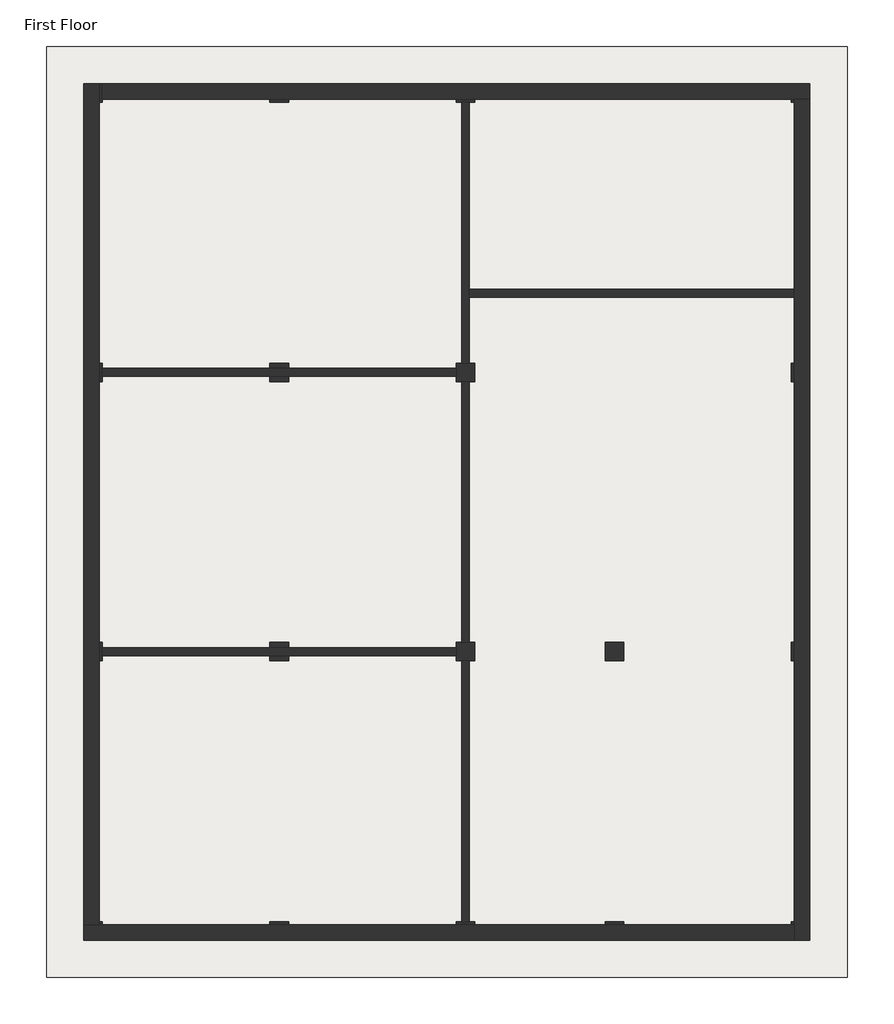
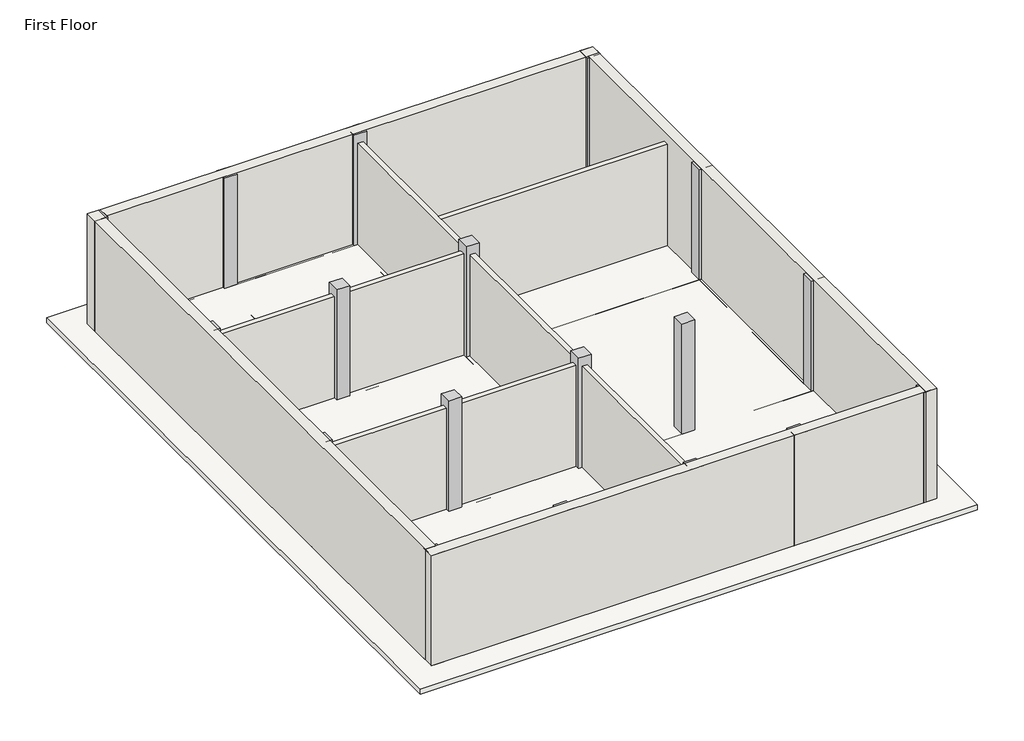
# One storey: 27 beams, 18 columns, 10 walls, 1 slab.
"""IFC4 building model written with IfcOpenShell, lengths in millimetres."""

from ifc_helpers import new_model, si_unit, frame, origin, place, context, project, spatial, polyline, outline, extrude, faceted_brep, element, save

model = new_model("IFC4")

# Units and contexts
model_context = context("Model", 3, world=origin())
ifc_project = project(units=[si_unit("LENGTHUNIT", "METRE", prefix="MILLI")], contexts=[model_context])

# Site, building, storey
site = spatial("IfcSite", under=ifc_project)
building = spatial("IfcBuilding", under=site)
storey = spatial("IfcBuildingStorey", under=building, Name="First Floor", Elevation=2870.2)

# Beams
placement = place(None, origin())
element("IfcBeam", 1, ObjectType="Concrete-Rectangular Beam", at=placement, inside=storey, context=model_context, shape_type="Brep", body=[
    faceted_brep([(6210.1409002, -15344.0114294, 2870.2), (6210.1409002, -15039.2114294, 2870.2), (5905.3409002, -15039.2114294, 2870.2), (3162.1409002, -15039.2114294, 2870.2), (2857.3409002, -15039.2114294, 2870.2), (2857.3409002, -15344.0114294, 2870.2), (3162.1409002, -15344.0114294, 2870.2), (5905.3409002, -15344.0114294, 2870.2), (2857.3409002, -15344.0114294, 2743.2), (3162.1409002, -15344.0114294, 2743.2), (3162.1409002, -15344.0114294, 2514.6), (5905.3409002, -15344.0114294, 2514.6), (5905.3409002, -15344.0114294, 2743.2), (6210.1409002, -15344.0114294, 2743.2), (3162.1409002, -15039.2114294, 2514.6), (5905.3409002, -15039.2114294, 2514.6), (6210.1409002, -15039.2114294, 2743.2), (5905.3409002, -15039.2114294, 2743.2), (3162.1409002, -15039.2114294, 2743.2), (2857.3409002, -15039.2114294, 2743.2)], [[[0, 1, 2, 3, 4, 5, 6, 7]], [[0, 7, 6, 5, 8, 9, 10, 11, 12, 13]], [[10, 14, 15, 11]], [[4, 3, 2, 1, 16, 17, 15, 14, 18, 19]], [[1, 0, 13, 16]], [[5, 4, 19, 8]], [[9, 18, 14, 10]], [[18, 9, 8, 19]], [[17, 12, 11, 15]], [[12, 17, 16, 13]]]),
])
element("IfcBeam", 2, ObjectType="Concrete-Rectangular Beam", at=placement, inside=storey, context=model_context, shape_type="Brep", body=[
    faceted_brep([(9258.1409002, -15344.0114294, 2870.2), (9258.1409002, -15039.2114294, 2870.2), (8953.3409002, -15039.2114294, 2870.2), (6210.1409002, -15039.2114294, 2870.2), (6210.1409002, -15344.0114294, 2870.2), (8953.3409002, -15344.0114294, 2870.2), (6210.1409002, -15344.0114294, 2743.2), (6210.1409002, -15344.0114294, 2514.6), (8953.3409002, -15344.0114294, 2514.6), (8953.3409002, -15344.0114294, 2743.2), (9258.1409002, -15344.0114294, 2743.2), (6210.1409002, -15039.2114294, 2514.6), (8953.3409002, -15039.2114294, 2514.6), (9258.1409002, -15039.2114294, 2743.2), (8953.3409002, -15039.2114294, 2743.2), (6210.1409002, -15039.2114294, 2743.2)], [[[0, 1, 2, 3, 4, 5]], [[0, 5, 4, 6, 7, 8, 9, 10]], [[7, 11, 12, 8]], [[3, 2, 1, 13, 14, 12, 11, 15]], [[1, 0, 10, 13]], [[4, 3, 15, 11, 7, 6]], [[14, 9, 8, 12]], [[9, 14, 13, 10]]]),
])
element("IfcBeam", 3, ObjectType="Concrete-Rectangular Beam", at=placement, inside=storey, context=model_context, shape_type="Brep", body=[
    faceted_brep([(11696.5409002, -15344.0114294, 2870.2), (11696.5409002, -15039.2114294, 2870.2), (11391.7409002, -15039.2114294, 2870.2), (9258.1409002, -15039.2114294, 2870.2), (9258.1409002, -15344.0114294, 2870.2), (11391.7409002, -15344.0114294, 2870.2), (9258.1409002, -15344.0114294, 2743.2), (9258.1409002, -15344.0114294, 2514.6), (11391.7409002, -15344.0114294, 2514.6), (11391.7409002, -15344.0114294, 2743.2), (11696.5409002, -15344.0114294, 2743.2), (9258.1409002, -15039.2114294, 2514.6), (11391.7409002, -15039.2114294, 2514.6), (11696.5409002, -15039.2114294, 2743.2), (11391.7409002, -15039.2114294, 2743.2), (9258.1409002, -15039.2114294, 2743.2)], [[[0, 1, 2, 3, 4, 5]], [[0, 5, 4, 6, 7, 8, 9, 10]], [[7, 11, 12, 8]], [[3, 2, 1, 13, 14, 12, 11, 15]], [[1, 0, 10, 13]], [[4, 3, 15, 11, 7, 6]], [[14, 9, 8, 12]], [[9, 14, 13, 10]]]),
])
element("IfcBeam", 4, ObjectType="Concrete-Rectangular Beam", at=placement, inside=storey, context=model_context, shape_type="Brep", body=[
    faceted_brep([(14744.5409002, -15344.0114294, 2870.2), (14744.5409002, -15039.2114294, 2870.2), (14439.7409002, -15039.2114294, 2870.2), (11696.5409002, -15039.2114294, 2870.2), (11696.5409002, -15344.0114294, 2870.2), (14439.7409002, -15344.0114294, 2870.2), (11696.5409002, -15344.0114294, 2743.2), (11696.5409002, -15344.0114294, 2514.6), (14439.7409002, -15344.0114294, 2514.6), (14439.7409002, -15344.0114294, 2743.2), (14744.5409002, -15344.0114294, 2743.2), (11696.5409002, -15039.2114294, 2514.6), (14439.7409002, -15039.2114294, 2514.6), (14744.5409002, -15039.2114294, 2743.2), (14439.7409002, -15039.2114294, 2743.2), (11696.5409002, -15039.2114294, 2743.2)], [[[0, 1, 2, 3, 4, 5]], [[0, 5, 4, 6, 7, 8, 9, 10]], [[7, 11, 12, 8]], [[3, 2, 1, 13, 14, 12, 11, 15]], [[1, 0, 10, 13]], [[4, 3, 15, 11, 7, 6]], [[14, 9, 8, 12]], [[9, 14, 13, 10]]]),
])
element("IfcBeam", 5, ObjectType="Concrete-Rectangular Beam", at=placement, inside=storey, context=model_context, shape_type="Brep", body=[
    faceted_brep([(6210.1409002, -10772.0114294, 2870.2), (6210.1409002, -10467.2114294, 2870.2), (5905.3409002, -10467.2114294, 2870.2), (3162.1409002, -10467.2114294, 2870.2), (2857.3409002, -10467.2114294, 2870.2), (2857.3409002, -10772.0114294, 2870.2), (3162.1409002, -10772.0114294, 2870.2), (5905.3409002, -10772.0114294, 2870.2), (2857.3409002, -10772.0114294, 2743.2), (3162.1409002, -10772.0114294, 2743.2), (3162.1409002, -10772.0114294, 2514.6), (5905.3409002, -10772.0114294, 2514.6), (5905.3409002, -10772.0114294, 2743.2), (6210.1409002, -10772.0114294, 2743.2), (3162.1409002, -10467.2114294, 2514.6), (5905.3409002, -10467.2114294, 2514.6), (6210.1409002, -10467.2114294, 2743.2), (5905.3409002, -10467.2114294, 2743.2), (3162.1409002, -10467.2114294, 2743.2), (2857.3409002, -10467.2114294, 2743.2)], [[[0, 1, 2, 3, 4, 5, 6, 7]], [[0, 7, 6, 5, 8, 9, 10, 11, 12, 13]], [[10, 14, 15, 11]], [[4, 3, 2, 1, 16, 17, 15, 14, 18, 19]], [[1, 0, 13, 16]], [[5, 4, 19, 8]], [[9, 18, 14, 10]], [[18, 9, 8, 19]], [[17, 12, 11, 15]], [[12, 17, 16, 13]]]),
])
element("IfcBeam", 6, ObjectType="Concrete-Rectangular Beam", at=placement, inside=storey, context=model_context, shape_type="Brep", body=[
    faceted_brep([(9258.1409002, -10772.0114294, 2870.2), (9258.1409002, -10467.2114294, 2870.2), (8953.3409002, -10467.2114294, 2870.2), (6210.1409002, -10467.2114294, 2870.2), (6210.1409002, -10772.0114294, 2870.2), (8953.3409002, -10772.0114294, 2870.2), (6210.1409002, -10772.0114294, 2743.2), (6210.1409002, -10772.0114294, 2514.6), (8953.3409002, -10772.0114294, 2514.6), (8953.3409002, -10772.0114294, 2743.2), (9258.1409002, -10772.0114294, 2743.2), (6210.1409002, -10467.2114294, 2514.6), (8953.3409002, -10467.2114294, 2514.6), (9258.1409002, -10467.2114294, 2743.2), (8953.3409002, -10467.2114294, 2743.2), (6210.1409002, -10467.2114294, 2743.2)], [[[0, 1, 2, 3, 4, 5]], [[0, 5, 4, 6, 7, 8, 9, 10]], [[7, 11, 12, 8]], [[3, 2, 1, 13, 14, 12, 11, 15]], [[1, 0, 10, 13]], [[4, 3, 15, 11, 7, 6]], [[14, 9, 8, 12]], [[9, 14, 13, 10]]]),
])
element("IfcBeam", 7, ObjectType="Concrete-Rectangular Beam", at=placement, inside=storey, context=model_context, shape_type="Brep", body=[
    faceted_brep([(11696.5409002, -10772.0114294, 2870.2), (11696.5409002, -10467.2114294, 2870.2), (11391.7409002, -10467.2114294, 2870.2), (9258.1409002, -10467.2114294, 2870.2), (9258.1409002, -10772.0114294, 2870.2), (11391.7409002, -10772.0114294, 2870.2), (9258.1409002, -10772.0114294, 2743.2), (9258.1409002, -10772.0114294, 2514.6), (11391.7409002, -10772.0114294, 2514.6), (11391.7409002, -10772.0114294, 2743.2), (11696.5409002, -10772.0114294, 2743.2), (9258.1409002, -10467.2114294, 2514.6), (11391.7409002, -10467.2114294, 2514.6), (11696.5409002, -10467.2114294, 2743.2), (11391.7409002, -10467.2114294, 2743.2), (9258.1409002, -10467.2114294, 2743.2)], [[[0, 1, 2, 3, 4, 5]], [[0, 5, 4, 6, 7, 8, 9, 10]], [[7, 11, 12, 8]], [[3, 2, 1, 13, 14, 12, 11, 15]], [[1, 0, 10, 13]], [[4, 3, 15, 11, 7, 6]], [[14, 9, 8, 12]], [[9, 14, 13, 10]]]),
])
element("IfcBeam", 8, ObjectType="Concrete-Rectangular Beam", at=placement, inside=storey, context=model_context, shape_type="Brep", body=[
    faceted_brep([(14744.5409002, -10772.0114294, 2870.2), (14744.5409002, -10467.2114294, 2870.2), (14439.7409002, -10467.2114294, 2870.2), (11696.5409002, -10467.2114294, 2870.2), (11696.5409002, -10772.0114294, 2870.2), (14439.7409002, -10772.0114294, 2870.2), (11696.5409002, -10772.0114294, 2743.2), (11696.5409002, -10772.0114294, 2514.6), (14439.7409002, -10772.0114294, 2514.6), (14439.7409002, -10772.0114294, 2743.2), (14744.5409002, -10772.0114294, 2743.2), (11696.5409002, -10467.2114294, 2514.6), (14439.7409002, -10467.2114294, 2514.6), (14744.5409002, -10467.2114294, 2743.2), (14439.7409002, -10467.2114294, 2743.2), (11696.5409002, -10467.2114294, 2743.2)], [[[0, 1, 2, 3, 4, 5]], [[0, 5, 4, 6, 7, 8, 9, 10]], [[7, 11, 12, 8]], [[3, 2, 1, 13, 14, 12, 11, 15]], [[1, 0, 10, 13]], [[4, 3, 15, 11, 7, 6]], [[14, 9, 8, 12]], [[9, 14, 13, 10]]]),
])
element("IfcBeam", 9, ObjectType="Concrete-Rectangular Beam", at=placement, inside=storey, context=model_context, shape_type="Brep", body=[
    faceted_brep([(6210.1409002, -6200.0114294, 2870.2), (6210.1409002, -5895.2114294, 2870.2), (5905.3409002, -5895.2114294, 2870.2), (3162.1409002, -5895.2114294, 2870.2), (2857.3409002, -5895.2114294, 2870.2), (2857.3409002, -6200.0114294, 2870.2), (3162.1409002, -6200.0114294, 2870.2), (5905.3409002, -6200.0114294, 2870.2), (2857.3409002, -6200.0114294, 2743.2), (3162.1409002, -6200.0114294, 2743.2), (3162.1409002, -6200.0114294, 2514.6), (5905.3409002, -6200.0114294, 2514.6), (5905.3409002, -6200.0114294, 2743.2), (6210.1409002, -6200.0114294, 2743.2), (3162.1409002, -5895.2114294, 2514.6), (5905.3409002, -5895.2114294, 2514.6), (6210.1409002, -5895.2114294, 2743.2), (5905.3409002, -5895.2114294, 2743.2), (3162.1409002, -5895.2114294, 2743.2), (2857.3409002, -5895.2114294, 2743.2)], [[[0, 1, 2, 3, 4, 5, 6, 7]], [[0, 7, 6, 5, 8, 9, 10, 11, 12, 13]], [[10, 14, 15, 11]], [[4, 3, 2, 1, 16, 17, 15, 14, 18, 19]], [[1, 0, 13, 16]], [[5, 4, 19, 8]], [[9, 18, 14, 10]], [[18, 9, 8, 19]], [[17, 12, 11, 15]], [[12, 17, 16, 13]]]),
])
element("IfcBeam", 10, ObjectType="Concrete-Rectangular Beam", at=placement, inside=storey, context=model_context, shape_type="Brep", body=[
    faceted_brep([(9258.1409002, -6200.0114294, 2870.2), (9258.1409002, -5895.2114294, 2870.2), (8953.3409002, -5895.2114294, 2870.2), (6210.1409002, -5895.2114294, 2870.2), (6210.1409002, -6200.0114294, 2870.2), (8953.3409002, -6200.0114294, 2870.2), (6210.1409002, -6200.0114294, 2743.2), (6210.1409002, -6200.0114294, 2514.6), (8953.3409002, -6200.0114294, 2514.6), (8953.3409002, -6200.0114294, 2743.2), (9258.1409002, -6200.0114294, 2743.2), (6210.1409002, -5895.2114294, 2514.6), (8953.3409002, -5895.2114294, 2514.6), (9258.1409002, -5895.2114294, 2743.2), (8953.3409002, -5895.2114294, 2743.2), (6210.1409002, -5895.2114294, 2743.2)], [[[0, 1, 2, 3, 4, 5]], [[0, 5, 4, 6, 7, 8, 9, 10]], [[7, 11, 12, 8]], [[3, 2, 1, 13, 14, 12, 11, 15]], [[1, 0, 10, 13]], [[4, 3, 15, 11, 7, 6]], [[14, 9, 8, 12]], [[9, 14, 13, 10]]]),
])
element("IfcBeam", 11, ObjectType="Concrete-Rectangular Beam", at=placement, inside=storey, context=model_context, shape_type="Brep", body=[
    faceted_brep([(14744.5409002, -6200.0114294, 2870.2), (14744.5409002, -5895.2114294, 2870.2), (14439.7409002, -5895.2114294, 2870.2), (9258.1409002, -5895.2114294, 2870.2), (9258.1409002, -6200.0114294, 2870.2), (14439.7409002, -6200.0114294, 2870.2), (9258.1409002, -6200.0114294, 2743.2), (9258.1409002, -6200.0114294, 2514.6), (14439.7409002, -6200.0114294, 2514.6), (14439.7409002, -6200.0114294, 2743.2), (14744.5409002, -6200.0114294, 2743.2), (9258.1409002, -5895.2114294, 2514.6), (14439.7409002, -5895.2114294, 2514.6), (14744.5409002, -5895.2114294, 2743.2), (14439.7409002, -5895.2114294, 2743.2), (9258.1409002, -5895.2114294, 2743.2)], [[[0, 1, 2, 3, 4, 5]], [[0, 5, 4, 6, 7, 8, 9, 10]], [[7, 11, 12, 8]], [[3, 2, 1, 13, 14, 12, 11, 15]], [[1, 0, 10, 13]], [[4, 3, 15, 11, 7, 6]], [[14, 9, 8, 12]], [[9, 14, 13, 10]]]),
])
element("IfcBeam", 12, ObjectType="Concrete-Rectangular Beam", at=placement, inside=storey, context=model_context, shape_type="Brep", body=[
    faceted_brep([(3162.1409002, -1323.2114294, 2870.2), (2857.3409002, -1323.2114294, 2870.2), (2857.3409002, -1628.0114294, 2870.2), (2857.3409002, -5895.2114294, 2870.2), (3162.1409002, -5895.2114294, 2870.2), (3162.1409002, -1628.0114294, 2870.2), (2857.3409002, -1323.2114294, 2743.2), (2857.3409002, -1628.0114294, 2743.2), (2857.3409002, -1628.0114294, 2514.6), (2857.3409002, -5895.2114294, 2514.6), (2857.3409002, -5895.2114294, 2743.2), (3162.1409002, -5895.2114294, 2514.6), (3162.1409002, -1628.0114294, 2514.6), (3162.1409002, -5895.2114294, 2743.2), (3162.1409002, -1628.0114294, 2743.2), (3162.1409002, -1323.2114294, 2743.2)], [[[0, 1, 2, 3, 4, 5]], [[3, 2, 1, 6, 7, 8, 9, 10]], [[11, 9, 8, 12]], [[0, 5, 4, 13, 11, 12, 14, 15]], [[1, 0, 15, 6]], [[4, 3, 10, 9, 11, 13]], [[7, 14, 12, 8]], [[14, 7, 6, 15]]]),
])
element("IfcBeam", 13, ObjectType="Concrete-Rectangular Beam", at=placement, inside=storey, context=model_context, shape_type="Brep", body=[
    faceted_brep([(2857.3409002, -10467.2114294, 2870.2), (3162.1409002, -10467.2114294, 2870.2), (3162.1409002, -6200.0114294, 2870.2), (2857.3409002, -6200.0114294, 2870.2), (2857.3409002, -10467.2114294, 2514.6), (2857.3409002, -10467.2114294, 2743.2), (2857.3409002, -6200.0114294, 2743.2), (2857.3409002, -6200.0114294, 2514.6), (3162.1409002, -10467.2114294, 2514.6), (3162.1409002, -6200.0114294, 2514.6), (3162.1409002, -10467.2114294, 2743.2), (3162.1409002, -6200.0114294, 2743.2)], [[[0, 1, 2, 3]], [[4, 5, 0, 3, 6, 7]], [[8, 4, 7, 9]], [[1, 10, 8, 9, 11, 2]], [[1, 0, 5, 4, 8, 10]], [[3, 2, 11, 9, 7, 6]]]),
])
element("IfcBeam", 14, ObjectType="Concrete-Rectangular Beam", at=placement, inside=storey, context=model_context, shape_type="Brep", body=[
    faceted_brep([(2857.3409002, -15039.2114294, 2870.2), (3162.1409002, -15039.2114294, 2870.2), (3162.1409002, -10772.0114294, 2870.2), (2857.3409002, -10772.0114294, 2870.2), (2857.3409002, -15039.2114294, 2514.6), (2857.3409002, -15039.2114294, 2743.2), (2857.3409002, -10772.0114294, 2743.2), (2857.3409002, -10772.0114294, 2514.6), (3162.1409002, -15039.2114294, 2514.6), (3162.1409002, -10772.0114294, 2514.6), (3162.1409002, -15039.2114294, 2743.2), (3162.1409002, -10772.0114294, 2743.2)], [[[0, 1, 2, 3]], [[4, 5, 0, 3, 6, 7]], [[8, 4, 7, 9]], [[1, 10, 8, 9, 11, 2]], [[1, 0, 5, 4, 8, 10]], [[3, 2, 11, 9, 7, 6]]]),
])
element("IfcBeam", 15, ObjectType="Concrete-Rectangular Beam", at=placement, inside=storey, context=model_context, shape_type="Brep", body=[
    faceted_brep([(9258.1409002, -1323.2114294, 2870.2), (8953.3409002, -1323.2114294, 2870.2), (8953.3409002, -1628.0114294, 2870.2), (8953.3409002, -5895.2114294, 2870.2), (9258.1409002, -5895.2114294, 2870.2), (9258.1409002, -1628.0114294, 2870.2), (8953.3409002, -1323.2114294, 2743.2), (8953.3409002, -1628.0114294, 2743.2), (8953.3409002, -1628.0114294, 2514.6), (8953.3409002, -5895.2114294, 2514.6), (8953.3409002, -5895.2114294, 2743.2), (9258.1409002, -5895.2114294, 2514.6), (9258.1409002, -1628.0114294, 2514.6), (9258.1409002, -5895.2114294, 2743.2), (9258.1409002, -1628.0114294, 2743.2), (9258.1409002, -1323.2114294, 2743.2)], [[[0, 1, 2, 3, 4, 5]], [[3, 2, 1, 6, 7, 8, 9, 10]], [[11, 9, 8, 12]], [[0, 5, 4, 13, 11, 12, 14, 15]], [[1, 0, 15, 6]], [[4, 3, 10, 9, 11, 13]], [[7, 14, 12, 8]], [[14, 7, 6, 15]]]),
])
element("IfcBeam", 16, ObjectType="Concrete-Rectangular Beam", at=placement, inside=storey, context=model_context, shape_type="Brep", body=[
    faceted_brep([(8953.3409002, -10467.2114294, 2870.2), (9258.1409002, -10467.2114294, 2870.2), (9258.1409002, -6200.0114294, 2870.2), (8953.3409002, -6200.0114294, 2870.2), (8953.3409002, -10467.2114294, 2514.6), (8953.3409002, -10467.2114294, 2743.2), (8953.3409002, -6200.0114294, 2743.2), (8953.3409002, -6200.0114294, 2514.6), (9258.1409002, -10467.2114294, 2514.6), (9258.1409002, -6200.0114294, 2514.6), (9258.1409002, -10467.2114294, 2743.2), (9258.1409002, -6200.0114294, 2743.2)], [[[0, 1, 2, 3]], [[4, 5, 0, 3, 6, 7]], [[8, 4, 7, 9]], [[1, 10, 8, 9, 11, 2]], [[1, 0, 5, 4, 8, 10]], [[3, 2, 11, 9, 7, 6]]]),
])
element("IfcBeam", 17, ObjectType="Concrete-Rectangular Beam", at=placement, inside=storey, context=model_context, shape_type="Brep", body=[
    faceted_brep([(8953.3409002, -15039.2114294, 2870.2), (9258.1409002, -15039.2114294, 2870.2), (9258.1409002, -10772.0114294, 2870.2), (8953.3409002, -10772.0114294, 2870.2), (8953.3409002, -15039.2114294, 2514.6), (8953.3409002, -15039.2114294, 2743.2), (8953.3409002, -10772.0114294, 2743.2), (8953.3409002, -10772.0114294, 2514.6), (9258.1409002, -15039.2114294, 2514.6), (9258.1409002, -10772.0114294, 2514.6), (9258.1409002, -15039.2114294, 2743.2), (9258.1409002, -10772.0114294, 2743.2)], [[[0, 1, 2, 3]], [[4, 5, 0, 3, 6, 7]], [[8, 4, 7, 9]], [[1, 10, 8, 9, 11, 2]], [[1, 0, 5, 4, 8, 10]], [[3, 2, 11, 9, 7, 6]]]),
])
element("IfcBeam", 18, ObjectType="Concrete-Rectangular Beam", at=placement, inside=storey, context=model_context, shape_type="Brep", body=[
    faceted_brep([(11391.7409002, -15039.2114294, 2870.2), (11696.5409002, -15039.2114294, 2870.2), (11696.5409002, -10772.0114294, 2870.2), (11391.7409002, -10772.0114294, 2870.2), (11391.7409002, -15039.2114294, 2514.6), (11391.7409002, -15039.2114294, 2743.2), (11391.7409002, -10772.0114294, 2743.2), (11391.7409002, -10772.0114294, 2514.6), (11696.5409002, -15039.2114294, 2514.6), (11696.5409002, -10772.0114294, 2514.6), (11696.5409002, -15039.2114294, 2743.2), (11696.5409002, -10772.0114294, 2743.2)], [[[0, 1, 2, 3]], [[4, 5, 0, 3, 6, 7]], [[8, 4, 7, 9]], [[1, 10, 8, 9, 11, 2]], [[1, 0, 5, 4, 8, 10]], [[3, 2, 11, 9, 7, 6]]]),
])
element("IfcBeam", 19, ObjectType="Concrete-Rectangular Beam", at=placement, inside=storey, context=model_context, shape_type="Brep", body=[
    faceted_brep([(6210.1409002, -1628.0114294, 2870.2), (6210.1409002, -1323.2114294, 2870.2), (5905.3409002, -1323.2114294, 2870.2), (3162.1409002, -1323.2114294, 2870.2), (3162.1409002, -1628.0114294, 2870.2), (5905.3409002, -1628.0114294, 2870.2), (3162.1409002, -1628.0114294, 2743.2), (3162.1409002, -1628.0114294, 2514.6), (5905.3409002, -1628.0114294, 2514.6), (5905.3409002, -1628.0114294, 2743.2), (6210.1409002, -1628.0114294, 2743.2), (3162.1409002, -1323.2114294, 2514.6), (5905.3409002, -1323.2114294, 2514.6), (6210.1409002, -1323.2114294, 2743.2), (5905.3409002, -1323.2114294, 2743.2), (3162.1409002, -1323.2114294, 2743.2)], [[[0, 1, 2, 3, 4, 5]], [[0, 5, 4, 6, 7, 8, 9, 10]], [[7, 11, 12, 8]], [[3, 2, 1, 13, 14, 12, 11, 15]], [[1, 0, 10, 13]], [[4, 3, 15, 11, 7, 6]], [[14, 9, 8, 12]], [[9, 14, 13, 10]]]),
])
element("IfcBeam", 20, ObjectType="Concrete-Rectangular Beam", at=placement, inside=storey, context=model_context, shape_type="Brep", body=[
    faceted_brep([(8953.3409002, -1628.0114294, 2870.2), (8953.3409002, -1323.2114294, 2870.2), (6210.1409002, -1323.2114294, 2870.2), (6210.1409002, -1628.0114294, 2870.2), (8953.3409002, -1628.0114294, 2514.6), (8953.3409002, -1628.0114294, 2743.2), (6210.1409002, -1628.0114294, 2743.2), (6210.1409002, -1628.0114294, 2514.6), (8953.3409002, -1323.2114294, 2514.6), (6210.1409002, -1323.2114294, 2514.6), (8953.3409002, -1323.2114294, 2743.2), (6210.1409002, -1323.2114294, 2743.2)], [[[0, 1, 2, 3]], [[4, 5, 0, 3, 6, 7]], [[8, 4, 7, 9]], [[1, 10, 8, 9, 11, 2]], [[1, 0, 5, 4, 8, 10]], [[3, 2, 11, 9, 7, 6]]]),
])
element("IfcBeam", 21, ObjectType="Concrete-Rectangular Beam", at=placement, inside=storey, context=model_context, shape_type="Brep", body=[
    faceted_brep([(14744.5409002, -1628.0114294, 2870.2), (14744.5409002, -1323.2114294, 2870.2), (14439.7409002, -1323.2114294, 2870.2), (9258.1409002, -1323.2114294, 2870.2), (9258.1409002, -1628.0114294, 2870.2), (14439.7409002, -1628.0114294, 2870.2), (9258.1409002, -1628.0114294, 2743.2), (9258.1409002, -1628.0114294, 2514.6), (14439.7409002, -1628.0114294, 2514.6), (14439.7409002, -1628.0114294, 2743.2), (14744.5409002, -1628.0114294, 2743.2), (9258.1409002, -1323.2114294, 2514.6), (14439.7409002, -1323.2114294, 2514.6), (14744.5409002, -1323.2114294, 2743.2), (14439.7409002, -1323.2114294, 2743.2), (9258.1409002, -1323.2114294, 2743.2)], [[[0, 1, 2, 3, 4, 5]], [[0, 5, 4, 6, 7, 8, 9, 10]], [[7, 11, 12, 8]], [[3, 2, 1, 13, 14, 12, 11, 15]], [[1, 0, 10, 13]], [[4, 3, 15, 11, 7, 6]], [[14, 9, 8, 12]], [[9, 14, 13, 10]]]),
])
element("IfcBeam", 22, ObjectType="Concrete-Rectangular Beam", at=placement, inside=storey, context=model_context, shape_type="Brep", body=[
    faceted_brep([(14439.7409002, -5895.2114294, 2870.2), (14744.5409002, -5895.2114294, 2870.2), (14744.5409002, -1628.0114294, 2870.2), (14439.7409002, -1628.0114294, 2870.2), (14439.7409002, -5895.2114294, 2514.6), (14439.7409002, -5895.2114294, 2743.2), (14439.7409002, -1628.0114294, 2743.2), (14439.7409002, -1628.0114294, 2514.6), (14744.5409002, -5895.2114294, 2514.6), (14744.5409002, -1628.0114294, 2514.6), (14744.5409002, -5895.2114294, 2743.2), (14744.5409002, -1628.0114294, 2743.2)], [[[0, 1, 2, 3]], [[4, 5, 0, 3, 6, 7]], [[8, 4, 7, 9]], [[1, 10, 8, 9, 11, 2]], [[1, 0, 5, 4, 8, 10]], [[3, 2, 11, 9, 7, 6]]]),
])
element("IfcBeam", 23, ObjectType="Concrete-Rectangular Beam", at=placement, inside=storey, context=model_context, shape_type="Brep", body=[
    faceted_brep([(14439.7409002, -10467.2114294, 2870.2), (14744.5409002, -10467.2114294, 2870.2), (14744.5409002, -6200.0114294, 2870.2), (14439.7409002, -6200.0114294, 2870.2), (14439.7409002, -10467.2114294, 2514.6), (14439.7409002, -10467.2114294, 2743.2), (14439.7409002, -6200.0114294, 2743.2), (14439.7409002, -6200.0114294, 2514.6), (14744.5409002, -10467.2114294, 2514.6), (14744.5409002, -6200.0114294, 2514.6), (14744.5409002, -10467.2114294, 2743.2), (14744.5409002, -6200.0114294, 2743.2)], [[[0, 1, 2, 3]], [[4, 5, 0, 3, 6, 7]], [[8, 4, 7, 9]], [[1, 10, 8, 9, 11, 2]], [[1, 0, 5, 4, 8, 10]], [[3, 2, 11, 9, 7, 6]]]),
])
element("IfcBeam", 24, ObjectType="Concrete-Rectangular Beam", at=placement, inside=storey, context=model_context, shape_type="Brep", body=[
    faceted_brep([(14439.7409002, -15039.2114294, 2870.2), (14744.5409002, -15039.2114294, 2870.2), (14744.5409002, -10772.0114294, 2870.2), (14439.7409002, -10772.0114294, 2870.2), (14439.7409002, -15039.2114294, 2514.6), (14439.7409002, -15039.2114294, 2743.2), (14439.7409002, -10772.0114294, 2743.2), (14439.7409002, -10772.0114294, 2514.6), (14744.5409002, -15039.2114294, 2514.6), (14744.5409002, -10772.0114294, 2514.6), (14744.5409002, -15039.2114294, 2743.2), (14744.5409002, -10772.0114294, 2743.2)], [[[0, 1, 2, 3]], [[4, 5, 0, 3, 6, 7]], [[8, 4, 7, 9]], [[1, 10, 8, 9, 11, 2]], [[1, 0, 5, 4, 8, 10]], [[3, 2, 11, 9, 7, 6]]]),
])
element("IfcBeam", 25, ObjectType="Concrete-Rectangular Beam", at=placement, inside=storey, context=model_context, shape_type="Brep", body=[
    faceted_brep([(5905.3409002, -5895.2114294, 2870.2), (6210.1409002, -5895.2114294, 2870.2), (6210.1409002, -1628.0114294, 2870.2), (5905.3409002, -1628.0114294, 2870.2), (5905.3409002, -5895.2114294, 2514.6), (5905.3409002, -5895.2114294, 2743.2), (5905.3409002, -1628.0114294, 2743.2), (5905.3409002, -1628.0114294, 2514.6), (6210.1409002, -5895.2114294, 2514.6), (6210.1409002, -1628.0114294, 2514.6), (6210.1409002, -5895.2114294, 2743.2), (6210.1409002, -1628.0114294, 2743.2)], [[[0, 1, 2, 3]], [[4, 5, 0, 3, 6, 7]], [[8, 4, 7, 9]], [[1, 10, 8, 9, 11, 2]], [[1, 0, 5, 4, 8, 10]], [[3, 2, 11, 9, 7, 6]]]),
])
element("IfcBeam", 26, ObjectType="Concrete-Rectangular Beam", at=placement, inside=storey, context=model_context, shape_type="Brep", body=[
    faceted_brep([(5905.3409002, -10467.2114294, 2870.2), (6210.1409002, -10467.2114294, 2870.2), (6210.1409002, -6200.0114294, 2870.2), (5905.3409002, -6200.0114294, 2870.2), (5905.3409002, -10467.2114294, 2514.6), (5905.3409002, -10467.2114294, 2743.2), (5905.3409002, -6200.0114294, 2743.2), (5905.3409002, -6200.0114294, 2514.6), (6210.1409002, -10467.2114294, 2514.6), (6210.1409002, -6200.0114294, 2514.6), (6210.1409002, -10467.2114294, 2743.2), (6210.1409002, -6200.0114294, 2743.2)], [[[0, 1, 2, 3]], [[4, 5, 0, 3, 6, 7]], [[8, 4, 7, 9]], [[1, 10, 8, 9, 11, 2]], [[1, 0, 5, 4, 8, 10]], [[3, 2, 11, 9, 7, 6]]]),
])
element("IfcBeam", 27, ObjectType="Concrete-Rectangular Beam", at=placement, inside=storey, context=model_context, shape_type="Brep", body=[
    faceted_brep([(5905.3409002, -15039.2114294, 2870.2), (6210.1409002, -15039.2114294, 2870.2), (6210.1409002, -10772.0114294, 2870.2), (5905.3409002, -10772.0114294, 2870.2), (5905.3409002, -15039.2114294, 2514.6), (5905.3409002, -15039.2114294, 2743.2), (5905.3409002, -10772.0114294, 2743.2), (5905.3409002, -10772.0114294, 2514.6), (6210.1409002, -15039.2114294, 2514.6), (6210.1409002, -10772.0114294, 2514.6), (6210.1409002, -15039.2114294, 2743.2), (6210.1409002, -10772.0114294, 2743.2)], [[[0, 1, 2, 3]], [[4, 5, 0, 3, 6, 7]], [[8, 4, 7, 9]], [[1, 10, 8, 9, 11, 2]], [[1, 0, 5, 4, 8, 10]], [[3, 2, 11, 9, 7, 6]]]),
])

# Columns
element("IfcColumn", 28, ObjectType="Concrete-Rectangular-Column", at=placement, inside=storey, context=model_context, shape_type="SweptSolid", body=[
    extrude(outline(polyline([(3162.1409002, -15039.2114294), (3162.1409002, -15344.0114294), (2857.3409002, -15344.0114294), (2857.3409002, -15039.2114294), (3162.1409002, -15039.2114294)])), frame((0.0, 0.0, 2870.2), z_axis=(0.0, 0.0, 1.0), x_axis=(1.0, 0.0, 0.0)), (0.0, 0.0, 1.0), 2743.2),
])
element("IfcColumn", 29, ObjectType="Concrete-Rectangular-Column", at=placement, inside=storey, context=model_context, shape_type="Brep", body=[
    faceted_brep([(9258.1409002, -15039.2114294, 2870.2), (9258.1409002, -15344.0114294, 2870.2), (8953.3409002, -15344.0114294, 2870.2), (8953.3409002, -15039.2114294, 2870.2), (9258.1409002, -15039.2114294, 5613.4), (9258.1409002, -15344.0114294, 5613.4), (9258.1409002, -15344.0114294, 3632.2), (9258.1409002, -15344.0114294, 3556.0), (8953.3409002, -15344.0114294, 5613.4), (8953.3409002, -15344.0114294, 3632.2), (8953.3409002, -15344.0114294, 3556.0), (8953.3409002, -15039.2114294, 5613.4)], [[[0, 1, 2, 3]], [[4, 5, 6, 7, 1, 0]], [[5, 8, 9, 10, 2, 1, 7, 6]], [[8, 11, 3, 2, 10, 9]], [[11, 4, 0, 3]], [[4, 11, 8, 5]]]),
])
element("IfcColumn", 30, ObjectType="Concrete-Rectangular-Column", at=placement, inside=storey, context=model_context, shape_type="Brep", body=[
    faceted_brep([(11696.5409002, -15039.2114294, 2870.2), (11696.5409002, -15344.0114294, 2870.2), (11391.7409002, -15344.0114294, 2870.2), (11391.7409002, -15039.2114294, 2870.2), (11696.5409002, -15039.2114294, 5613.4), (11696.5409002, -15344.0114294, 5613.4), (11696.5409002, -15344.0114294, 3632.2), (11696.5409002, -15344.0114294, 3556.0), (11391.7409002, -15344.0114294, 5613.4), (11391.7409002, -15344.0114294, 3632.2), (11391.7409002, -15344.0114294, 3556.0), (11391.7409002, -15039.2114294, 5613.4)], [[[0, 1, 2, 3]], [[4, 5, 6, 7, 1, 0]], [[5, 8, 9, 10, 2, 1, 7, 6]], [[8, 11, 3, 2, 10, 9]], [[11, 4, 0, 3]], [[4, 11, 8, 5]]]),
])
element("IfcColumn", 31, ObjectType="Concrete-Rectangular-Column", at=placement, inside=storey, context=model_context, shape_type="SweptSolid", body=[
    extrude(outline(polyline([(14744.5409002, -15039.2114294), (14744.5409002, -15344.0114294), (14439.7409002, -15344.0114294), (14439.7409002, -15039.2114294), (14744.5409002, -15039.2114294)])), frame((0.0, 0.0, 2870.2), z_axis=(0.0, 0.0, 1.0), x_axis=(1.0, 0.0, 0.0)), (0.0, 0.0, 1.0), 2743.2),
])
element("IfcColumn", 32, ObjectType="Concrete-Rectangular-Column", at=placement, inside=storey, context=model_context, shape_type="Brep", body=[
    faceted_brep([(6210.1409002, -15039.2114294, 2870.2), (6210.1409002, -15344.0114294, 2870.2), (5905.3409002, -15344.0114294, 2870.2), (5905.3409002, -15039.2114294, 2870.2), (6210.1409002, -15039.2114294, 5613.4), (6210.1409002, -15344.0114294, 5613.4), (6210.1409002, -15344.0114294, 3632.2), (6210.1409002, -15344.0114294, 3556.0), (5905.3409002, -15344.0114294, 5613.4), (5905.3409002, -15344.0114294, 3632.2), (5905.3409002, -15344.0114294, 3556.0), (5905.3409002, -15039.2114294, 5613.4)], [[[0, 1, 2, 3]], [[4, 5, 6, 7, 1, 0]], [[5, 8, 9, 10, 2, 1, 7, 6]], [[8, 11, 3, 2, 10, 9]], [[11, 4, 0, 3]], [[4, 11, 8, 5]]]),
])
element("IfcColumn", 33, ObjectType="Concrete-Rectangular-Column", at=placement, inside=storey, context=model_context, shape_type="SweptSolid", body=[
    extrude(outline(polyline([(3162.1409002, -10467.2114294), (3162.1409002, -10772.0114294), (2857.3409002, -10772.0114294), (2857.3409002, -10467.2114294), (3162.1409002, -10467.2114294)])), frame((0.0, 0.0, 2870.2), z_axis=(0.0, 0.0, 1.0), x_axis=(1.0, 0.0, 0.0)), (0.0, 0.0, 1.0), 2743.2),
])
element("IfcColumn", 34, ObjectType="Concrete-Rectangular-Column", at=placement, inside=storey, context=model_context, shape_type="SweptSolid", body=[
    extrude(outline(polyline([(9258.1409002, -10467.2114294), (9258.1409002, -10772.0114294), (8953.3409002, -10772.0114294), (8953.3409002, -10467.2114294), (9258.1409002, -10467.2114294)])), frame((0.0, 0.0, 2870.2), z_axis=(0.0, 0.0, 1.0), x_axis=(1.0, 0.0, 0.0)), (0.0, 0.0, 1.0), 2743.2),
])
element("IfcColumn", 35, ObjectType="Concrete-Rectangular-Column", at=placement, inside=storey, context=model_context, shape_type="SweptSolid", body=[
    extrude(outline(polyline([(11696.5409002, -10467.2114294), (11696.5409002, -10772.0114294), (11391.7409002, -10772.0114294), (11391.7409002, -10467.2114294), (11696.5409002, -10467.2114294)])), frame((0.0, 0.0, 2870.2), z_axis=(0.0, 0.0, 1.0), x_axis=(1.0, 0.0, 0.0)), (0.0, 0.0, 1.0), 2743.2),
])
element("IfcColumn", 36, ObjectType="Concrete-Rectangular-Column", at=placement, inside=storey, context=model_context, shape_type="SweptSolid", body=[
    extrude(outline(polyline([(14744.5409002, -10467.2114294), (14744.5409002, -10772.0114294), (14439.7409002, -10772.0114294), (14439.7409002, -10467.2114294), (14744.5409002, -10467.2114294)])), frame((0.0, 0.0, 2870.2), z_axis=(0.0, 0.0, 1.0), x_axis=(1.0, 0.0, 0.0)), (0.0, 0.0, 1.0), 2743.2),
])
element("IfcColumn", 37, ObjectType="Concrete-Rectangular-Column", at=placement, inside=storey, context=model_context, shape_type="SweptSolid", body=[
    extrude(outline(polyline([(6210.1409002, -10467.2114294), (6210.1409002, -10772.0114294), (5905.3409002, -10772.0114294), (5905.3409002, -10467.2114294), (6210.1409002, -10467.2114294)])), frame((0.0, 0.0, 2870.2), z_axis=(0.0, 0.0, 1.0), x_axis=(1.0, 0.0, 0.0)), (0.0, 0.0, 1.0), 2743.2),
])
element("IfcColumn", 38, ObjectType="Concrete-Rectangular-Column", at=placement, inside=storey, context=model_context, shape_type="SweptSolid", body=[
    extrude(outline(polyline([(3162.1409002, -5895.2114294), (3162.1409002, -6200.0114294), (2857.3409002, -6200.0114294), (2857.3409002, -5895.2114294), (3162.1409002, -5895.2114294)])), frame((0.0, 0.0, 2870.2), z_axis=(0.0, 0.0, 1.0), x_axis=(1.0, 0.0, 0.0)), (0.0, 0.0, 1.0), 2743.2),
])
element("IfcColumn", 39, ObjectType="Concrete-Rectangular-Column", at=placement, inside=storey, context=model_context, shape_type="SweptSolid", body=[
    extrude(outline(polyline([(9258.1409002, -5895.2114294), (9258.1409002, -6200.0114294), (8953.3409002, -6200.0114294), (8953.3409002, -5895.2114294), (9258.1409002, -5895.2114294)])), frame((0.0, 0.0, 2870.2), z_axis=(0.0, 0.0, 1.0), x_axis=(1.0, 0.0, 0.0)), (0.0, 0.0, 1.0), 2743.2),
])
element("IfcColumn", 40, ObjectType="Concrete-Rectangular-Column", at=placement, inside=storey, context=model_context, shape_type="SweptSolid", body=[
    extrude(outline(polyline([(14744.5409002, -5895.2114294), (14744.5409002, -6200.0114294), (14439.7409002, -6200.0114294), (14439.7409002, -5895.2114294), (14744.5409002, -5895.2114294)])), frame((0.0, 0.0, 2870.2), z_axis=(0.0, 0.0, 1.0), x_axis=(1.0, 0.0, 0.0)), (0.0, 0.0, 1.0), 2743.2),
])
element("IfcColumn", 41, ObjectType="Concrete-Rectangular-Column", at=placement, inside=storey, context=model_context, shape_type="SweptSolid", body=[
    extrude(outline(polyline([(6210.1409002, -5895.2114294), (6210.1409002, -6200.0114294), (5905.3409002, -6200.0114294), (5905.3409002, -5895.2114294), (6210.1409002, -5895.2114294)])), frame((0.0, 0.0, 2870.2), z_axis=(0.0, 0.0, 1.0), x_axis=(1.0, 0.0, 0.0)), (0.0, 0.0, 1.0), 2743.2),
])
element("IfcColumn", 42, ObjectType="Concrete-Rectangular-Column", at=placement, inside=storey, context=model_context, shape_type="SweptSolid", body=[
    extrude(outline(polyline([(3162.1409002, -1323.2114294), (3162.1409002, -1628.0114294), (2857.3409002, -1628.0114294), (2857.3409002, -1323.2114294), (3162.1409002, -1323.2114294)])), frame((0.0, 0.0, 2870.2), z_axis=(0.0, 0.0, 1.0), x_axis=(1.0, 0.0, 0.0)), (0.0, 0.0, 1.0), 2743.2),
])
element("IfcColumn", 43, ObjectType="Concrete-Rectangular-Column", at=placement, inside=storey, context=model_context, shape_type="SweptSolid", body=[
    extrude(outline(polyline([(9258.1409002, -1323.2114294), (9258.1409002, -1628.0114294), (8953.3409002, -1628.0114294), (8953.3409002, -1323.2114294), (9258.1409002, -1323.2114294)])), frame((0.0, 0.0, 2870.2), z_axis=(0.0, 0.0, 1.0), x_axis=(1.0, 0.0, 0.0)), (0.0, 0.0, 1.0), 2743.2),
])
element("IfcColumn", 44, ObjectType="Concrete-Rectangular-Column", at=placement, inside=storey, context=model_context, shape_type="SweptSolid", body=[
    extrude(outline(polyline([(14744.5409002, -1323.2114294), (14744.5409002, -1628.0114294), (14439.7409002, -1628.0114294), (14439.7409002, -1323.2114294), (14744.5409002, -1323.2114294)])), frame((0.0, 0.0, 2870.2), z_axis=(0.0, 0.0, 1.0), x_axis=(1.0, 0.0, 0.0)), (0.0, 0.0, 1.0), 2743.2),
])
element("IfcColumn", 45, ObjectType="Concrete-Rectangular-Column", at=placement, inside=storey, context=model_context, shape_type="SweptSolid", body=[
    extrude(outline(polyline([(6210.1409002, -1323.2114294), (6210.1409002, -1628.0114294), (5905.3409002, -1628.0114294), (5905.3409002, -1323.2114294), (6210.1409002, -1323.2114294)])), frame((0.0, 0.0, 2870.2), z_axis=(0.0, 0.0, 1.0), x_axis=(1.0, 0.0, 0.0)), (0.0, 0.0, 1.0), 2743.2),
])

# Slab
element("IfcSlab", 46, ObjectType="5\" Slab", at=placement, inside=storey, context=model_context, shape_type="SweptSolid", body=[
    extrude(outline(polyline([(15354.1409002, -713.6114294), (15354.1409002, -15953.6114294), (2247.7409002, -15953.6114294), (2247.7409002, -713.6114294), (15354.1409002, -713.6114294)])), frame((0.0, 0.0, 2743.2), z_axis=(0.0, 0.0, 1.0), x_axis=(1.0, 0.0, 0.0)), (0.0, 0.0, 1.0), 127.0),
])

# Walls
element("IfcWall", 47, ObjectType="5\" Wall", at=placement, inside=storey, context=model_context, shape_type="SweptSolid", body=[
    extrude(outline(polyline([(8953.3409002, -6111.1114294), (3162.1409002, -6111.1114294), (3162.1409002, -5984.1114294), (8953.3409002, -5984.1114294), (8953.3409002, -6111.1114294)])), frame((0.0, 0.0, 2870.2), z_axis=(0.0, 0.0, 1.0), x_axis=(1.0, 0.0, 0.0)), (0.0, 0.0, 1.0), 2514.6),
])
element("IfcWall", 48, ObjectType="5\" Wall", at=placement, inside=storey, context=model_context, shape_type="Brep", body=[
    faceted_brep([(9169.2409002, -5895.2114294, 2870.2), (9169.2409002, -4815.7114294, 2870.2), (9169.2409002, -4688.7114294, 2870.2), (9169.2409002, -1628.0114294, 2870.2), (9169.2409002, -1628.0114294, 5384.8), (9169.2409002, -4688.7114294, 5384.8), (9169.2409002, -4815.7114294, 5384.8), (9169.2409002, -5895.2114294, 5384.8), (9042.2409002, -5895.2114294, 2870.2), (9042.2409002, -5895.2114294, 5384.8), (9042.2409002, -1628.0114294, 5384.8), (9042.2409002, -1628.0114294, 2870.2)], [[[0, 1, 2, 3, 4, 5, 6, 7]], [[8, 9, 10, 11]], [[3, 2, 1, 0, 8, 11]], [[4, 3, 11, 10]], [[7, 6, 5, 4, 10, 9]], [[0, 7, 9, 8]]]),
])
element("IfcWall", 49, ObjectType="5\" Wall", at=placement, inside=storey, context=model_context, shape_type="SweptSolid", body=[
    extrude(outline(polyline([(9042.2409002, -10467.2114294), (9042.2409002, -6200.0114294), (9169.2409002, -6200.0114294), (9169.2409002, -10467.2114294), (9042.2409002, -10467.2114294)])), frame((0.0, 0.0, 2870.2), z_axis=(0.0, 0.0, 1.0), x_axis=(1.0, 0.0, 0.0)), (0.0, 0.0, 1.0), 2514.6),
])
element("IfcWall", 50, ObjectType="5\" Wall", at=placement, inside=storey, context=model_context, shape_type="SweptSolid", body=[
    extrude(outline(polyline([(3162.1409002, -10556.1114294), (8953.3409002, -10556.1114294), (8953.3409002, -10683.1114294), (3162.1409002, -10683.1114294), (3162.1409002, -10556.1114294)])), frame((0.0, 0.0, 2870.2), z_axis=(0.0, 0.0, 1.0), x_axis=(1.0, 0.0, 0.0)), (0.0, 0.0, 1.0), 2514.6),
])
element("IfcWall", 51, ObjectType="5\" Wall", at=placement, inside=storey, context=model_context, shape_type="SweptSolid", body=[
    extrude(outline(polyline([(9042.2409002, -15039.2114294), (9042.2409002, -10772.0114294), (9169.2409002, -10772.0114294), (9169.2409002, -15039.2114294), (9042.2409002, -15039.2114294)])), frame((0.0, 0.0, 2870.2), z_axis=(0.0, 0.0, 1.0), x_axis=(1.0, 0.0, 0.0)), (0.0, 0.0, 1.0), 2514.6),
])
element("IfcWall", 52, ObjectType="5\" Wall", at=placement, inside=storey, context=model_context, shape_type="SweptSolid", body=[
    extrude(outline(polyline([(14490.5409002, -4815.7114294), (9169.2409002, -4815.7114294), (9169.2409002, -4688.7114294), (14490.5409002, -4688.7114294), (14490.5409002, -4815.7114294)])), frame((0.0, 0.0, 2870.2), z_axis=(0.0, 0.0, 1.0), x_axis=(1.0, 0.0, 0.0)), (0.0, 0.0, 1.0), 2514.6),
])
element("IfcWall", 53, ObjectType="9\" Wall", at=placement, inside=storey, context=model_context, shape_type="Brep", body=[
    faceted_brep([(3162.1409002, -1577.2114294, 2870.2), (14490.5409002, -1577.2114294, 2870.2), (14744.5409002, -1577.2114294, 2870.2), (14744.5409002, -1577.2114294, 5613.4), (14490.5409002, -1577.2114294, 5613.4), (3162.1409002, -1577.2114294, 5613.4), (3162.1409002, -1323.2114294, 2870.2), (3162.1409002, -1323.2114294, 5613.4), (14744.5409002, -1323.2114294, 5613.4), (14744.5409002, -1323.2114294, 2870.2)], [[[0, 1, 2, 3, 4, 5]], [[6, 7, 8, 9]], [[2, 1, 0, 6, 9]], [[5, 4, 3, 8, 7]], [[0, 5, 7, 6]], [[3, 2, 9, 8]]]),
])
element("IfcWall", 54, ObjectType="9\" Wall", at=placement, inside=storey, context=model_context, shape_type="Brep", body=[
    faceted_brep([(14490.5409002, -1577.2114294, 2870.2), (14490.5409002, -4688.7114294, 2870.2), (14490.5409002, -4815.7114294, 2870.2), (14490.5409002, -15090.0114294, 2870.2), (14490.5409002, -15344.0114294, 2870.2), (14490.5409002, -15344.0114294, 5613.4), (14490.5409002, -15090.0114294, 5613.4), (14490.5409002, -1577.2114294, 5613.4), (14744.5409002, -1577.2114294, 2870.2), (14744.5409002, -1577.2114294, 5613.4), (14744.5409002, -15344.0114294, 5613.4), (14744.5409002, -15344.0114294, 2870.2)], [[[0, 1, 2, 3, 4, 5, 6, 7]], [[8, 9, 10, 11]], [[4, 3, 2, 1, 0, 8, 11]], [[7, 6, 5, 10, 9]], [[5, 4, 11, 10]], [[0, 7, 9, 8]]]),
])
element("IfcWall", 55, ObjectType="9\" Wall", at=placement, inside=storey, context=model_context, shape_type="Brep", body=[
    faceted_brep([(14490.5409002, -15090.0114294, 2870.2), (3111.3409002, -15090.0114294, 2870.2), (2857.3409002, -15090.0114294, 2870.2), (2857.3409002, -15090.0114294, 5613.4), (3111.3409002, -15090.0114294, 5613.4), (14490.5409002, -15090.0114294, 5613.4), (14490.5409002, -15344.0114294, 2870.2), (14490.5409002, -15344.0114294, 5613.4), (2857.3409002, -15344.0114294, 5613.4), (2857.3409002, -15344.0114294, 2870.2)], [[[0, 1, 2, 3, 4, 5]], [[6, 7, 8, 9]], [[2, 1, 0, 6, 9]], [[5, 4, 3, 8, 7]], [[0, 5, 7, 6]], [[3, 2, 9, 8]]]),
])
element("IfcWall", 56, ObjectType="9\" Wall", at=placement, inside=storey, context=model_context, shape_type="SweptSolid", body=[
    extrude(outline(polyline([(3111.3409002, -1323.2114294), (3111.3409002, -15090.0114294), (2857.3409002, -15090.0114294), (2857.3409002, -1323.2114294), (3111.3409002, -1323.2114294)])), frame((0.0, 0.0, 2870.2), z_axis=(0.0, 0.0, 1.0), x_axis=(1.0, 0.0, 0.0)), (0.0, 0.0, 1.0), 2743.2),
])

save(model, "model.ifc")
